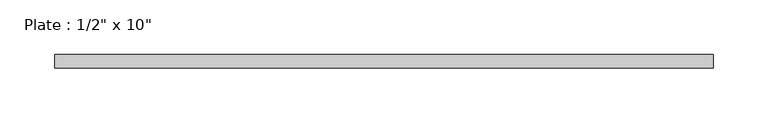
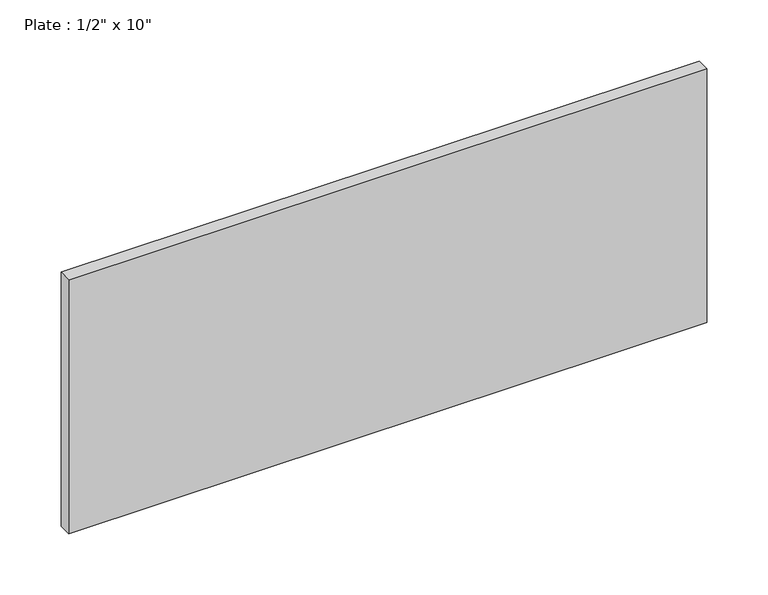
"""IFC4 building model written with IfcOpenShell, lengths in millimetres: beam geometry."""

from ifc_helpers import new_model, si_unit, frame, origin, place, context, project, spatial, polyline, outline, extrude, source, transform, mapped, element, save


def beam_581c324c(model_context):
    return source(origin(), model_context, "Body", "SweptSolid", [
        extrude(outline(polyline([(301.625, 6.35), (301.625, -6.35), (-301.625, -6.35), (-301.625, 6.35), (301.625, 6.35)])), frame((0.0, 0.0, -127.0), z_axis=(0.0, 0.0, 1.0), x_axis=(1.0, 0.0, 0.0)), (0.0, 0.0, 1.0), 254.0),
    ])


if __name__ == "__main__":
    model = new_model("IFC4")
    model_context = context("Model", 3, world=origin())
    ifc_project = project(units=[si_unit("LENGTHUNIT", "METRE", prefix="MILLI")], contexts=[model_context])
    site = spatial("IfcSite", under=ifc_project)
    building = spatial("IfcBuilding", under=site)
    placement = place(None, origin())
    beam_shape = beam_581c324c(model_context)
    element("IfcBeam", 1, ObjectType="Plate : 1/2\" x 10\"", at=placement, inside=building, context=model_context, shape_type="MappedRepresentation", body=[
        mapped(beam_shape, transform((0.0, 0.0, 0.0), x_axis=(1.0, 0.0, 0.0), y_axis=(0.0, 1.0, 0.0), z_axis=(0.0, 0.0, 1.0))),
    ])
    save(model, "model.ifc")
